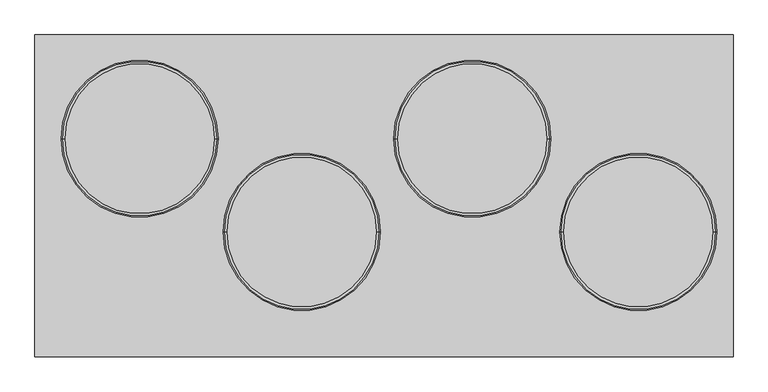
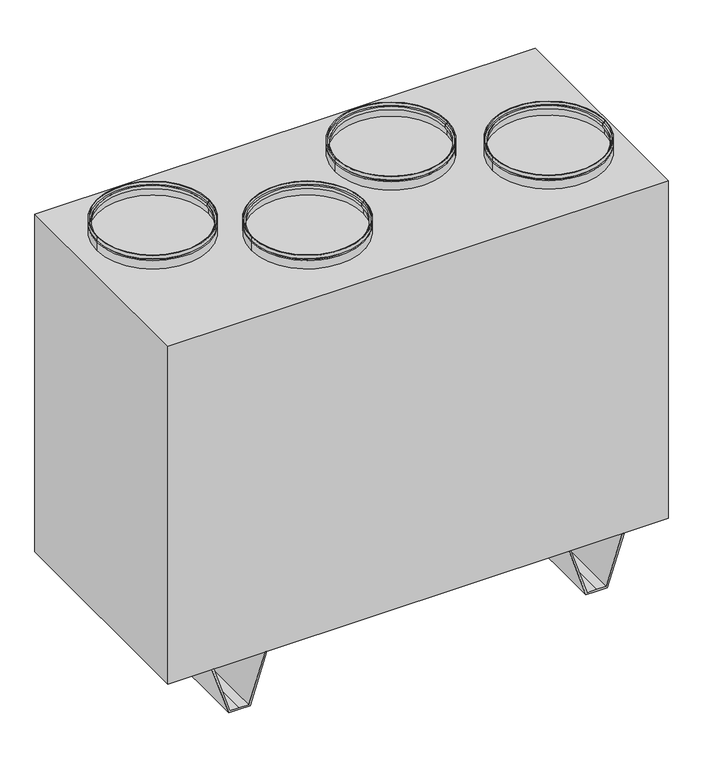
"""IFC4 building model written with IfcOpenShell, lengths in millimetres: proxy geometry."""

from ifc_helpers import new_model, si_unit, frame, origin, place, context, project, spatial, polyline, circle_curve, outline, extrude, source, transform, mapped, element, save
from ifc_brep_helpers import plane_surface, cylinder_surface, revolved_surface, advanced_brep


def mechanical_equipment_06b83ad4(model_context):
    return source(origin(), model_context, "Body", "SolidModel", [
        advanced_brep(
        [(667.5, -72.5, 1175.0), (352.5, -72.5, 1175.0), (352.5, -72.5, 1185.0), (667.5, -72.5, 1185.0), (662.5, -72.5, 1175.0), (357.5, -72.5, 1175.0), (662.5, -72.5, 1170.0), (357.5, -72.5, 1170.0), (667.5, -72.5, 1170.0), (352.5, -72.5, 1170.0), (667.5, -72.5, 1145.0), (352.5, -72.5, 1145.0), (665.5, -72.5, 1145.0), (354.5, -72.5, 1145.0), (665.5, -72.5, 1168.0), (354.5, -72.5, 1168.0), (660.5, -72.5, 1168.0), (359.5, -72.5, 1168.0), (660.5, -72.5, 1177.0), (359.5, -72.5, 1177.0), (665.5, -72.5, 1177.0), (354.5, -72.5, 1177.0), (665.5, -72.5, 1185.0), (354.5, -72.5, 1185.0)],
        [
            (0, 1, circle_curve(frame((510.0, -72.5, 1175.0), z_axis=(0.0, 0.0, 1.0), x_axis=(-1.0, 0.0, 0.0)), 157.5)),
            (1, 2),
            (2, 3, circle_curve(frame((510.0, -72.5, 1185.0), z_axis=(0.0, 0.0, -1.0), x_axis=(-1.0, 0.0, 0.0)), 157.5)),
            (3, 0),
            (1, 0, circle_curve(frame((510.0, -72.5, 1175.0), z_axis=(0.0, 0.0, 1.0), x_axis=(-1.0, 0.0, 0.0)), 157.5)),
            (3, 2, circle_curve(frame((510.0, -72.5, 1185.0), z_axis=(0.0, 0.0, -1.0), x_axis=(-1.0, 0.0, 0.0)), 157.5)),
            (4, 5, circle_curve(frame((510.0, -72.5, 1175.0), z_axis=(0.0, 0.0, 1.0), x_axis=(-1.0, 0.0, 0.0)), 152.5)),
            (5, 1),
            (0, 4),
            (5, 4, circle_curve(frame((510.0, -72.5, 1175.0), z_axis=(0.0, 0.0, 1.0), x_axis=(-1.0, 0.0, 0.0)), 152.5)),
            (6, 7, circle_curve(frame((510.0, -72.5, 1170.0), z_axis=(0.0, 0.0, 1.0), x_axis=(-1.0, 0.0, 0.0)), 152.5)),
            (7, 5),
            (4, 6),
            (7, 6, circle_curve(frame((510.0, -72.5, 1170.0), z_axis=(0.0, 0.0, 1.0), x_axis=(-1.0, 0.0, 0.0)), 152.5)),
            (8, 9, circle_curve(frame((510.0, -72.5, 1170.0), z_axis=(0.0, 0.0, 1.0), x_axis=(-1.0, 0.0, 0.0)), 157.5)),
            (9, 7),
            (6, 8),
            (9, 8, circle_curve(frame((510.0, -72.5, 1170.0), z_axis=(0.0, 0.0, 1.0), x_axis=(-1.0, 0.0, 0.0)), 157.5)),
            (10, 11, circle_curve(frame((510.0, -72.5, 1145.0), z_axis=(0.0, 0.0, 1.0), x_axis=(-1.0, 0.0, 0.0)), 157.5)),
            (11, 9),
            (8, 10),
            (11, 10, circle_curve(frame((510.0, -72.5, 1145.0), z_axis=(0.0, 0.0, 1.0), x_axis=(-1.0, 0.0, 0.0)), 157.5)),
            (12, 13, circle_curve(frame((510.0, -72.5, 1145.0), z_axis=(0.0, 0.0, 1.0), x_axis=(-1.0, 0.0, 0.0)), 155.5)),
            (13, 11),
            (10, 12),
            (13, 12, circle_curve(frame((510.0, -72.5, 1145.0), z_axis=(0.0, 0.0, 1.0), x_axis=(-1.0, 0.0, 0.0)), 155.5)),
            (14, 15, circle_curve(frame((510.0, -72.5, 1168.0), z_axis=(0.0, 0.0, 1.0), x_axis=(-1.0, 0.0, 0.0)), 155.5)),
            (15, 13),
            (12, 14),
            (15, 14, circle_curve(frame((510.0, -72.5, 1168.0), z_axis=(0.0, 0.0, 1.0), x_axis=(-1.0, 0.0, 0.0)), 155.5)),
            (16, 17, circle_curve(frame((510.0, -72.5, 1168.0), z_axis=(0.0, 0.0, 1.0), x_axis=(-1.0, 0.0, 0.0)), 150.5)),
            (17, 15),
            (14, 16),
            (17, 16, circle_curve(frame((510.0, -72.5, 1168.0), z_axis=(0.0, 0.0, 1.0), x_axis=(-1.0, 0.0, 0.0)), 150.5)),
            (18, 19, circle_curve(frame((510.0, -72.5, 1177.0), z_axis=(0.0, 0.0, 1.0), x_axis=(-1.0, 0.0, 0.0)), 150.5)),
            (19, 17),
            (16, 18),
            (19, 18, circle_curve(frame((510.0, -72.5, 1177.0), z_axis=(0.0, 0.0, 1.0), x_axis=(-1.0, 0.0, 0.0)), 150.5)),
            (20, 21, circle_curve(frame((510.0, -72.5, 1177.0), z_axis=(0.0, 0.0, 1.0), x_axis=(-1.0, 0.0, 0.0)), 155.5)),
            (21, 19),
            (18, 20),
            (21, 20, circle_curve(frame((510.0, -72.5, 1177.0), z_axis=(0.0, 0.0, 1.0), x_axis=(-1.0, 0.0, 0.0)), 155.5)),
            (22, 23, circle_curve(frame((510.0, -72.5, 1185.0), z_axis=(0.0, 0.0, 1.0), x_axis=(-1.0, 0.0, 0.0)), 155.5)),
            (23, 21),
            (20, 22),
            (23, 22, circle_curve(frame((510.0, -72.5, 1185.0), z_axis=(0.0, 0.0, 1.0), x_axis=(-1.0, 0.0, 0.0)), 155.5)),
            (2, 23),
            (22, 3),
        ],
        [
            cylinder_surface(frame((510.0, -72.5, 2720.0440172), z_axis=(0.0, 0.0, -1.0), x_axis=(-1.0, 0.0, 0.0)), 157.5),
            plane_surface(frame((510.0, -72.5, 1175.0), z_axis=(0.0, 0.0, -1.0), x_axis=(-1.0, 0.0, 0.0))),
            cylinder_surface(frame((510.0, -72.5, 2720.0440172), z_axis=(0.0, 0.0, -1.0), x_axis=(-1.0, 0.0, 0.0)), 152.5),
            plane_surface(frame((510.0, -72.5, 1170.0), z_axis=(0.0, 0.0, 1.0), x_axis=(-1.0, 0.0, 0.0))),
            plane_surface(frame((510.0, -72.5, 1145.0), z_axis=(0.0, 0.0, -1.0), x_axis=(-1.0, 0.0, 0.0))),
            revolved_surface(polyline([(354.5, -72.5, 1145.0), (354.5, -72.5, 1168.0)]), (510.0, -72.5, 2720.0440172), (0.0, 0.0, -1.0)),
            plane_surface(frame((510.0, -72.5, 1168.0), z_axis=(0.0, 0.0, -1.0), x_axis=(-1.0, 0.0, 0.0))),
            revolved_surface(polyline([(359.5, -72.5, 1168.0), (359.5, -72.5, 1177.0)]), (510.0, -72.5, 2720.0440172), (0.0, 0.0, -1.0)),
            plane_surface(frame((510.0, -72.5, 1177.0), z_axis=(0.0, 0.0, 1.0), x_axis=(-1.0, 0.0, 0.0))),
            revolved_surface(polyline([(354.5, -72.5, 1177.0), (354.5, -72.5, 1185.0)]), (510.0, -72.5, 2720.0440172), (0.0, 0.0, -1.0)),
            plane_surface(frame((510.0, -72.5, 1185.0), z_axis=(0.0, 0.0, 1.0), x_axis=(-1.0, 0.0, 0.0))),
        ],
        [
            (0, [[1, 2, 3, 4]]),
            (0, [[5, -4, 6, -2]]),
            (1, [[7, 8, -1, 9]]),
            (1, [[10, -9, -5, -8]]),
            (2, [[11, 12, -7, 13]]),
            (2, [[14, -13, -10, -12]]),
            (3, [[15, 16, -11, 17]]),
            (3, [[18, -17, -14, -16]]),
            (0, [[19, 20, -15, 21]]),
            (0, [[22, -21, -18, -20]]),
            (4, [[23, 24, -19, 25]]),
            (4, [[26, -25, -22, -24]]),
            (5, [[27, 28, -23, 29]]),
            (5, [[30, -29, -26, -28]]),
            (6, [[31, 32, -27, 33]]),
            (6, [[34, -33, -30, -32]]),
            (7, [[35, 36, -31, 37]]),
            (7, [[38, -37, -34, -36]]),
            (8, [[39, 40, -35, 41]]),
            (8, [[42, -41, -38, -40]]),
            (9, [[43, 44, -39, 45]]),
            (9, [[46, -45, -42, -44]]),
            (10, [[-3, 47, -43, 48]]),
            (10, [[-6, -48, -46, -47]]),
        ],
    ),
        advanced_brep(
        [(334.5, 114.5, 1175.0), (19.5, 114.5, 1175.0), (19.5, 114.5, 1185.0), (334.5, 114.5, 1185.0), (329.5, 114.5, 1175.0), (24.5, 114.5, 1175.0), (329.5, 114.5, 1170.0), (24.5, 114.5, 1170.0), (334.5, 114.5, 1170.0), (19.5, 114.5, 1170.0), (334.5, 114.5, 1145.0), (19.5, 114.5, 1145.0), (332.5, 114.5, 1145.0), (21.5, 114.5, 1145.0), (332.5, 114.5, 1168.0), (21.5, 114.5, 1168.0), (327.5, 114.5, 1168.0), (26.5, 114.5, 1168.0), (327.5, 114.5, 1177.0), (26.5, 114.5, 1177.0), (332.5, 114.5, 1177.0), (21.5, 114.5, 1177.0), (332.5, 114.5, 1185.0), (21.5, 114.5, 1185.0)],
        [
            (0, 1, circle_curve(frame((177.0, 114.5, 1175.0), z_axis=(0.0, 0.0, 1.0), x_axis=(-1.0, 0.0, 0.0)), 157.5)),
            (1, 2),
            (2, 3, circle_curve(frame((177.0, 114.5, 1185.0), z_axis=(0.0, 0.0, -1.0), x_axis=(-1.0, 0.0, 0.0)), 157.5)),
            (3, 0),
            (1, 0, circle_curve(frame((177.0, 114.5, 1175.0), z_axis=(0.0, 0.0, 1.0), x_axis=(-1.0, 0.0, 0.0)), 157.5)),
            (3, 2, circle_curve(frame((177.0, 114.5, 1185.0), z_axis=(0.0, 0.0, -1.0), x_axis=(-1.0, 0.0, 0.0)), 157.5)),
            (4, 5, circle_curve(frame((177.0, 114.5, 1175.0), z_axis=(0.0, 0.0, 1.0), x_axis=(-1.0, 0.0, 0.0)), 152.5)),
            (5, 1),
            (0, 4),
            (5, 4, circle_curve(frame((177.0, 114.5, 1175.0), z_axis=(0.0, 0.0, 1.0), x_axis=(-1.0, 0.0, 0.0)), 152.5)),
            (6, 7, circle_curve(frame((177.0, 114.5, 1170.0), z_axis=(0.0, 0.0, 1.0), x_axis=(-1.0, 0.0, 0.0)), 152.5)),
            (7, 5),
            (4, 6),
            (7, 6, circle_curve(frame((177.0, 114.5, 1170.0), z_axis=(0.0, 0.0, 1.0), x_axis=(-1.0, 0.0, 0.0)), 152.5)),
            (8, 9, circle_curve(frame((177.0, 114.5, 1170.0), z_axis=(0.0, 0.0, 1.0), x_axis=(-1.0, 0.0, 0.0)), 157.5)),
            (9, 7),
            (6, 8),
            (9, 8, circle_curve(frame((177.0, 114.5, 1170.0), z_axis=(0.0, 0.0, 1.0), x_axis=(-1.0, 0.0, 0.0)), 157.5)),
            (10, 11, circle_curve(frame((177.0, 114.5, 1145.0), z_axis=(0.0, 0.0, 1.0), x_axis=(-1.0, 0.0, 0.0)), 157.5)),
            (11, 9),
            (8, 10),
            (11, 10, circle_curve(frame((177.0, 114.5, 1145.0), z_axis=(0.0, 0.0, 1.0), x_axis=(-1.0, 0.0, 0.0)), 157.5)),
            (12, 13, circle_curve(frame((177.0, 114.5, 1145.0), z_axis=(0.0, 0.0, 1.0), x_axis=(-1.0, 0.0, 0.0)), 155.5)),
            (13, 11),
            (10, 12),
            (13, 12, circle_curve(frame((177.0, 114.5, 1145.0), z_axis=(0.0, 0.0, 1.0), x_axis=(-1.0, 0.0, 0.0)), 155.5)),
            (14, 15, circle_curve(frame((177.0, 114.5, 1168.0), z_axis=(0.0, 0.0, 1.0), x_axis=(-1.0, 0.0, 0.0)), 155.5)),
            (15, 13),
            (12, 14),
            (15, 14, circle_curve(frame((177.0, 114.5, 1168.0), z_axis=(0.0, 0.0, 1.0), x_axis=(-1.0, 0.0, 0.0)), 155.5)),
            (16, 17, circle_curve(frame((177.0, 114.5, 1168.0), z_axis=(0.0, 0.0, 1.0), x_axis=(-1.0, 0.0, 0.0)), 150.5)),
            (17, 15),
            (14, 16),
            (17, 16, circle_curve(frame((177.0, 114.5, 1168.0), z_axis=(0.0, 0.0, 1.0), x_axis=(-1.0, 0.0, 0.0)), 150.5)),
            (18, 19, circle_curve(frame((177.0, 114.5, 1177.0), z_axis=(0.0, 0.0, 1.0), x_axis=(-1.0, 0.0, 0.0)), 150.5)),
            (19, 17),
            (16, 18),
            (19, 18, circle_curve(frame((177.0, 114.5, 1177.0), z_axis=(0.0, 0.0, 1.0), x_axis=(-1.0, 0.0, 0.0)), 150.5)),
            (20, 21, circle_curve(frame((177.0, 114.5, 1177.0), z_axis=(0.0, 0.0, 1.0), x_axis=(-1.0, 0.0, 0.0)), 155.5)),
            (21, 19),
            (18, 20),
            (21, 20, circle_curve(frame((177.0, 114.5, 1177.0), z_axis=(0.0, 0.0, 1.0), x_axis=(-1.0, 0.0, 0.0)), 155.5)),
            (22, 23, circle_curve(frame((177.0, 114.5, 1185.0), z_axis=(0.0, 0.0, 1.0), x_axis=(-1.0, 0.0, 0.0)), 155.5)),
            (23, 21),
            (20, 22),
            (23, 22, circle_curve(frame((177.0, 114.5, 1185.0), z_axis=(0.0, 0.0, 1.0), x_axis=(-1.0, 0.0, 0.0)), 155.5)),
            (2, 23),
            (22, 3),
        ],
        [
            cylinder_surface(frame((177.0, 114.5, 2720.0440172), z_axis=(0.0, 0.0, -1.0), x_axis=(-1.0, 0.0, 0.0)), 157.5),
            plane_surface(frame((177.0, 114.5, 1175.0), z_axis=(0.0, 0.0, -1.0), x_axis=(-1.0, 0.0, 0.0))),
            cylinder_surface(frame((177.0, 114.5, 2720.0440172), z_axis=(0.0, 0.0, -1.0), x_axis=(-1.0, 0.0, 0.0)), 152.5),
            plane_surface(frame((177.0, 114.5, 1170.0), z_axis=(0.0, 0.0, 1.0), x_axis=(-1.0, 0.0, 0.0))),
            plane_surface(frame((177.0, 114.5, 1145.0), z_axis=(0.0, 0.0, -1.0), x_axis=(-1.0, 0.0, 0.0))),
            revolved_surface(polyline([(21.5, 114.5, 1145.0), (21.5, 114.5, 1168.0)]), (177.0, 114.5, 2720.0440172), (0.0, 0.0, -1.0)),
            plane_surface(frame((177.0, 114.5, 1168.0), z_axis=(0.0, 0.0, -1.0), x_axis=(-1.0, 0.0, 0.0))),
            revolved_surface(polyline([(26.5, 114.5, 1168.0), (26.5, 114.5, 1177.0)]), (177.0, 114.5, 2720.0440172), (0.0, 0.0, -1.0)),
            plane_surface(frame((177.0, 114.5, 1177.0), z_axis=(0.0, 0.0, 1.0), x_axis=(-1.0, 0.0, 0.0))),
            revolved_surface(polyline([(21.5, 114.5, 1177.0), (21.5, 114.5, 1185.0)]), (177.0, 114.5, 2720.0440172), (0.0, 0.0, -1.0)),
            plane_surface(frame((177.0, 114.5, 1185.0), z_axis=(0.0, 0.0, 1.0), x_axis=(-1.0, 0.0, 0.0))),
        ],
        [
            (0, [[1, 2, 3, 4]]),
            (0, [[5, -4, 6, -2]]),
            (1, [[7, 8, -1, 9]]),
            (1, [[10, -9, -5, -8]]),
            (2, [[11, 12, -7, 13]]),
            (2, [[14, -13, -10, -12]]),
            (3, [[15, 16, -11, 17]]),
            (3, [[18, -17, -14, -16]]),
            (0, [[19, 20, -15, 21]]),
            (0, [[22, -21, -18, -20]]),
            (4, [[23, 24, -19, 25]]),
            (4, [[26, -25, -22, -24]]),
            (5, [[27, 28, -23, 29]]),
            (5, [[30, -29, -26, -28]]),
            (6, [[31, 32, -27, 33]]),
            (6, [[34, -33, -30, -32]]),
            (7, [[35, 36, -31, 37]]),
            (7, [[38, -37, -34, -36]]),
            (8, [[39, 40, -35, 41]]),
            (8, [[42, -41, -38, -40]]),
            (9, [[43, 44, -39, 45]]),
            (9, [[46, -45, -42, -44]]),
            (10, [[-3, 47, -43, 48]]),
            (10, [[-6, -48, -46, -47]]),
        ],
    ),
        advanced_brep(
        [(-7.5, -72.5, 1175.0), (-322.5, -72.5, 1175.0), (-322.5, -72.5, 1185.0), (-7.5, -72.5, 1185.0), (-12.5, -72.5, 1175.0), (-317.5, -72.5, 1175.0), (-12.5, -72.5, 1170.0), (-317.5, -72.5, 1170.0), (-7.5, -72.5, 1170.0), (-322.5, -72.5, 1170.0), (-7.5, -72.5, 1145.0), (-322.5, -72.5, 1145.0), (-9.5, -72.5, 1145.0), (-320.5, -72.5, 1145.0), (-9.5, -72.5, 1168.0), (-320.5, -72.5, 1168.0), (-14.5, -72.5, 1168.0), (-315.5, -72.5, 1168.0), (-14.5, -72.5, 1177.0), (-315.5, -72.5, 1177.0), (-9.5, -72.5, 1177.0), (-320.5, -72.5, 1177.0), (-9.5, -72.5, 1185.0), (-320.5, -72.5, 1185.0)],
        [
            (0, 1, circle_curve(frame((-165.0, -72.5, 1175.0), z_axis=(0.0, 0.0, 1.0), x_axis=(-1.0, 0.0, 0.0)), 157.5)),
            (1, 2),
            (2, 3, circle_curve(frame((-165.0, -72.5, 1185.0), z_axis=(0.0, 0.0, -1.0), x_axis=(-1.0, 0.0, 0.0)), 157.5)),
            (3, 0),
            (1, 0, circle_curve(frame((-165.0, -72.5, 1175.0), z_axis=(0.0, 0.0, 1.0), x_axis=(-1.0, 0.0, 0.0)), 157.5)),
            (3, 2, circle_curve(frame((-165.0, -72.5, 1185.0), z_axis=(0.0, 0.0, -1.0), x_axis=(-1.0, 0.0, 0.0)), 157.5)),
            (4, 5, circle_curve(frame((-165.0, -72.5, 1175.0), z_axis=(0.0, 0.0, 1.0), x_axis=(-1.0, 0.0, 0.0)), 152.5)),
            (5, 1),
            (0, 4),
            (5, 4, circle_curve(frame((-165.0, -72.5, 1175.0), z_axis=(0.0, 0.0, 1.0), x_axis=(-1.0, 0.0, 0.0)), 152.5)),
            (6, 7, circle_curve(frame((-165.0, -72.5, 1170.0), z_axis=(0.0, 0.0, 1.0), x_axis=(-1.0, 0.0, 0.0)), 152.5)),
            (7, 5),
            (4, 6),
            (7, 6, circle_curve(frame((-165.0, -72.5, 1170.0), z_axis=(0.0, 0.0, 1.0), x_axis=(-1.0, 0.0, 0.0)), 152.5)),
            (8, 9, circle_curve(frame((-165.0, -72.5, 1170.0), z_axis=(0.0, 0.0, 1.0), x_axis=(-1.0, 0.0, 0.0)), 157.5)),
            (9, 7),
            (6, 8),
            (9, 8, circle_curve(frame((-165.0, -72.5, 1170.0), z_axis=(0.0, 0.0, 1.0), x_axis=(-1.0, 0.0, 0.0)), 157.5)),
            (10, 11, circle_curve(frame((-165.0, -72.5, 1145.0), z_axis=(0.0, 0.0, 1.0), x_axis=(-1.0, 0.0, 0.0)), 157.5)),
            (11, 9),
            (8, 10),
            (11, 10, circle_curve(frame((-165.0, -72.5, 1145.0), z_axis=(0.0, 0.0, 1.0), x_axis=(-1.0, 0.0, 0.0)), 157.5)),
            (12, 13, circle_curve(frame((-165.0, -72.5, 1145.0), z_axis=(0.0, 0.0, 1.0), x_axis=(-1.0, 0.0, 0.0)), 155.5)),
            (13, 11),
            (10, 12),
            (13, 12, circle_curve(frame((-165.0, -72.5, 1145.0), z_axis=(0.0, 0.0, 1.0), x_axis=(-1.0, 0.0, 0.0)), 155.5)),
            (14, 15, circle_curve(frame((-165.0, -72.5, 1168.0), z_axis=(0.0, 0.0, 1.0), x_axis=(-1.0, 0.0, 0.0)), 155.5)),
            (15, 13),
            (12, 14),
            (15, 14, circle_curve(frame((-165.0, -72.5, 1168.0), z_axis=(0.0, 0.0, 1.0), x_axis=(-1.0, 0.0, 0.0)), 155.5)),
            (16, 17, circle_curve(frame((-165.0, -72.5, 1168.0), z_axis=(0.0, 0.0, 1.0), x_axis=(-1.0, 0.0, 0.0)), 150.5)),
            (17, 15),
            (14, 16),
            (17, 16, circle_curve(frame((-165.0, -72.5, 1168.0), z_axis=(0.0, 0.0, 1.0), x_axis=(-1.0, 0.0, 0.0)), 150.5)),
            (18, 19, circle_curve(frame((-165.0, -72.5, 1177.0), z_axis=(0.0, 0.0, 1.0), x_axis=(-1.0, 0.0, 0.0)), 150.5)),
            (19, 17),
            (16, 18),
            (19, 18, circle_curve(frame((-165.0, -72.5, 1177.0), z_axis=(0.0, 0.0, 1.0), x_axis=(-1.0, 0.0, 0.0)), 150.5)),
            (20, 21, circle_curve(frame((-165.0, -72.5, 1177.0), z_axis=(0.0, 0.0, 1.0), x_axis=(-1.0, 0.0, 0.0)), 155.5)),
            (21, 19),
            (18, 20),
            (21, 20, circle_curve(frame((-165.0, -72.5, 1177.0), z_axis=(0.0, 0.0, 1.0), x_axis=(-1.0, 0.0, 0.0)), 155.5)),
            (22, 23, circle_curve(frame((-165.0, -72.5, 1185.0), z_axis=(0.0, 0.0, 1.0), x_axis=(-1.0, 0.0, 0.0)), 155.5)),
            (23, 21),
            (20, 22),
            (23, 22, circle_curve(frame((-165.0, -72.5, 1185.0), z_axis=(0.0, 0.0, 1.0), x_axis=(-1.0, 0.0, 0.0)), 155.5)),
            (2, 23),
            (22, 3),
        ],
        [
            cylinder_surface(frame((-165.0, -72.5, 2720.0440172), z_axis=(0.0, 0.0, -1.0), x_axis=(-1.0, 0.0, 0.0)), 157.5),
            plane_surface(frame((-165.0, -72.5, 1175.0), z_axis=(0.0, 0.0, -1.0), x_axis=(-1.0, 0.0, 0.0))),
            cylinder_surface(frame((-165.0, -72.5, 2720.0440172), z_axis=(0.0, 0.0, -1.0), x_axis=(-1.0, 0.0, 0.0)), 152.5),
            plane_surface(frame((-165.0, -72.5, 1170.0), z_axis=(0.0, 0.0, 1.0), x_axis=(-1.0, 0.0, 0.0))),
            plane_surface(frame((-165.0, -72.5, 1145.0), z_axis=(0.0, 0.0, -1.0), x_axis=(-1.0, 0.0, 0.0))),
            revolved_surface(polyline([(-320.5, -72.5, 1145.0), (-320.5, -72.5, 1168.0)]), (-165.0, -72.5, 2720.0440172), (0.0, 0.0, -1.0)),
            plane_surface(frame((-165.0, -72.5, 1168.0), z_axis=(0.0, 0.0, -1.0), x_axis=(-1.0, 0.0, 0.0))),
            revolved_surface(polyline([(-315.5, -72.5, 1168.0), (-315.5, -72.5, 1177.0)]), (-165.0, -72.5, 2720.0440172), (0.0, 0.0, -1.0)),
            plane_surface(frame((-165.0, -72.5, 1177.0), z_axis=(0.0, 0.0, 1.0), x_axis=(-1.0, 0.0, 0.0))),
            revolved_surface(polyline([(-320.5, -72.5, 1177.0), (-320.5, -72.5, 1185.0)]), (-165.0, -72.5, 2720.0440172), (0.0, 0.0, -1.0)),
            plane_surface(frame((-165.0, -72.5, 1185.0), z_axis=(0.0, 0.0, 1.0), x_axis=(-1.0, 0.0, 0.0))),
        ],
        [
            (0, [[1, 2, 3, 4]]),
            (0, [[5, -4, 6, -2]]),
            (1, [[7, 8, -1, 9]]),
            (1, [[10, -9, -5, -8]]),
            (2, [[11, 12, -7, 13]]),
            (2, [[14, -13, -10, -12]]),
            (3, [[15, 16, -11, 17]]),
            (3, [[18, -17, -14, -16]]),
            (0, [[19, 20, -15, 21]]),
            (0, [[22, -21, -18, -20]]),
            (4, [[23, 24, -19, 25]]),
            (4, [[26, -25, -22, -24]]),
            (5, [[27, 28, -23, 29]]),
            (5, [[30, -29, -26, -28]]),
            (6, [[31, 32, -27, 33]]),
            (6, [[34, -33, -30, -32]]),
            (7, [[35, 36, -31, 37]]),
            (7, [[38, -37, -34, -36]]),
            (8, [[39, 40, -35, 41]]),
            (8, [[42, -41, -38, -40]]),
            (9, [[43, 44, -39, 45]]),
            (9, [[46, -45, -42, -44]]),
            (10, [[-3, 47, -43, 48]]),
            (10, [[-6, -48, -46, -47]]),
        ],
    ),
        advanced_brep(
        [(-332.5, 114.5, 1175.0), (-647.5, 114.5, 1175.0), (-647.5, 114.5, 1185.0), (-332.5, 114.5, 1185.0), (-337.5, 114.5, 1175.0), (-642.5, 114.5, 1175.0), (-337.5, 114.5, 1170.0), (-642.5, 114.5, 1170.0), (-332.5, 114.5, 1170.0), (-647.5, 114.5, 1170.0), (-332.5, 114.5, 1145.0), (-647.5, 114.5, 1145.0), (-334.5, 114.5, 1145.0), (-645.5, 114.5, 1145.0), (-334.5, 114.5, 1168.0), (-645.5, 114.5, 1168.0), (-339.5, 114.5, 1168.0), (-640.5, 114.5, 1168.0), (-339.5, 114.5, 1177.0), (-640.5, 114.5, 1177.0), (-334.5, 114.5, 1177.0), (-645.5, 114.5, 1177.0), (-334.5, 114.5, 1185.0), (-645.5, 114.5, 1185.0)],
        [
            (0, 1, circle_curve(frame((-490.0, 114.5, 1175.0), z_axis=(0.0, 0.0, 1.0), x_axis=(-1.0, 0.0, 0.0)), 157.5)),
            (1, 2),
            (2, 3, circle_curve(frame((-490.0, 114.5, 1185.0), z_axis=(0.0, 0.0, -1.0), x_axis=(-1.0, 0.0, 0.0)), 157.5)),
            (3, 0),
            (1, 0, circle_curve(frame((-490.0, 114.5, 1175.0), z_axis=(0.0, 0.0, 1.0), x_axis=(-1.0, 0.0, 0.0)), 157.5)),
            (3, 2, circle_curve(frame((-490.0, 114.5, 1185.0), z_axis=(0.0, 0.0, -1.0), x_axis=(-1.0, 0.0, 0.0)), 157.5)),
            (4, 5, circle_curve(frame((-490.0, 114.5, 1175.0), z_axis=(0.0, 0.0, 1.0), x_axis=(-1.0, 0.0, 0.0)), 152.5)),
            (5, 1),
            (0, 4),
            (5, 4, circle_curve(frame((-490.0, 114.5, 1175.0), z_axis=(0.0, 0.0, 1.0), x_axis=(-1.0, 0.0, 0.0)), 152.5)),
            (6, 7, circle_curve(frame((-490.0, 114.5, 1170.0), z_axis=(0.0, 0.0, 1.0), x_axis=(-1.0, 0.0, 0.0)), 152.5)),
            (7, 5),
            (4, 6),
            (7, 6, circle_curve(frame((-490.0, 114.5, 1170.0), z_axis=(0.0, 0.0, 1.0), x_axis=(-1.0, 0.0, 0.0)), 152.5)),
            (8, 9, circle_curve(frame((-490.0, 114.5, 1170.0), z_axis=(0.0, 0.0, 1.0), x_axis=(-1.0, 0.0, 0.0)), 157.5)),
            (9, 7),
            (6, 8),
            (9, 8, circle_curve(frame((-490.0, 114.5, 1170.0), z_axis=(0.0, 0.0, 1.0), x_axis=(-1.0, 0.0, 0.0)), 157.5)),
            (10, 11, circle_curve(frame((-490.0, 114.5, 1145.0), z_axis=(0.0, 0.0, 1.0), x_axis=(-1.0, 0.0, 0.0)), 157.5)),
            (11, 9),
            (8, 10),
            (11, 10, circle_curve(frame((-490.0, 114.5, 1145.0), z_axis=(0.0, 0.0, 1.0), x_axis=(-1.0, 0.0, 0.0)), 157.5)),
            (12, 13, circle_curve(frame((-490.0, 114.5, 1145.0), z_axis=(0.0, 0.0, 1.0), x_axis=(-1.0, 0.0, 0.0)), 155.5)),
            (13, 11),
            (10, 12),
            (13, 12, circle_curve(frame((-490.0, 114.5, 1145.0), z_axis=(0.0, 0.0, 1.0), x_axis=(-1.0, 0.0, 0.0)), 155.5)),
            (14, 15, circle_curve(frame((-490.0, 114.5, 1168.0), z_axis=(0.0, 0.0, 1.0), x_axis=(-1.0, 0.0, 0.0)), 155.5)),
            (15, 13),
            (12, 14),
            (15, 14, circle_curve(frame((-490.0, 114.5, 1168.0), z_axis=(0.0, 0.0, 1.0), x_axis=(-1.0, 0.0, 0.0)), 155.5)),
            (16, 17, circle_curve(frame((-490.0, 114.5, 1168.0), z_axis=(0.0, 0.0, 1.0), x_axis=(-1.0, 0.0, 0.0)), 150.5)),
            (17, 15),
            (14, 16),
            (17, 16, circle_curve(frame((-490.0, 114.5, 1168.0), z_axis=(0.0, 0.0, 1.0), x_axis=(-1.0, 0.0, 0.0)), 150.5)),
            (18, 19, circle_curve(frame((-490.0, 114.5, 1177.0), z_axis=(0.0, 0.0, 1.0), x_axis=(-1.0, 0.0, 0.0)), 150.5)),
            (19, 17),
            (16, 18),
            (19, 18, circle_curve(frame((-490.0, 114.5, 1177.0), z_axis=(0.0, 0.0, 1.0), x_axis=(-1.0, 0.0, 0.0)), 150.5)),
            (20, 21, circle_curve(frame((-490.0, 114.5, 1177.0), z_axis=(0.0, 0.0, 1.0), x_axis=(-1.0, 0.0, 0.0)), 155.5)),
            (21, 19),
            (18, 20),
            (21, 20, circle_curve(frame((-490.0, 114.5, 1177.0), z_axis=(0.0, 0.0, 1.0), x_axis=(-1.0, 0.0, 0.0)), 155.5)),
            (22, 23, circle_curve(frame((-490.0, 114.5, 1185.0), z_axis=(0.0, 0.0, 1.0), x_axis=(-1.0, 0.0, 0.0)), 155.5)),
            (23, 21),
            (20, 22),
            (23, 22, circle_curve(frame((-490.0, 114.5, 1185.0), z_axis=(0.0, 0.0, 1.0), x_axis=(-1.0, 0.0, 0.0)), 155.5)),
            (2, 23),
            (22, 3),
        ],
        [
            cylinder_surface(frame((-490.0, 114.5, 2720.0440172), z_axis=(0.0, 0.0, -1.0), x_axis=(-1.0, 0.0, 0.0)), 157.5),
            plane_surface(frame((-490.0, 114.5, 1175.0), z_axis=(0.0, 0.0, -1.0), x_axis=(-1.0, 0.0, 0.0))),
            cylinder_surface(frame((-490.0, 114.5, 2720.0440172), z_axis=(0.0, 0.0, -1.0), x_axis=(-1.0, 0.0, 0.0)), 152.5),
            plane_surface(frame((-490.0, 114.5, 1170.0), z_axis=(0.0, 0.0, 1.0), x_axis=(-1.0, 0.0, 0.0))),
            plane_surface(frame((-490.0, 114.5, 1145.0), z_axis=(0.0, 0.0, -1.0), x_axis=(-1.0, 0.0, 0.0))),
            revolved_surface(polyline([(-645.5, 114.5, 1145.0), (-645.5, 114.5, 1168.0)]), (-490.0, 114.5, 2720.0440172), (0.0, 0.0, -1.0)),
            plane_surface(frame((-490.0, 114.5, 1168.0), z_axis=(0.0, 0.0, -1.0), x_axis=(-1.0, 0.0, 0.0))),
            revolved_surface(polyline([(-640.5, 114.5, 1168.0), (-640.5, 114.5, 1177.0)]), (-490.0, 114.5, 2720.0440172), (0.0, 0.0, -1.0)),
            plane_surface(frame((-490.0, 114.5, 1177.0), z_axis=(0.0, 0.0, 1.0), x_axis=(-1.0, 0.0, 0.0))),
            revolved_surface(polyline([(-645.5, 114.5, 1177.0), (-645.5, 114.5, 1185.0)]), (-490.0, 114.5, 2720.0440172), (0.0, 0.0, -1.0)),
            plane_surface(frame((-490.0, 114.5, 1185.0), z_axis=(0.0, 0.0, 1.0), x_axis=(-1.0, 0.0, 0.0))),
        ],
        [
            (0, [[1, 2, 3, 4]]),
            (0, [[5, -4, 6, -2]]),
            (1, [[7, 8, -1, 9]]),
            (1, [[10, -9, -5, -8]]),
            (2, [[11, 12, -7, 13]]),
            (2, [[14, -13, -10, -12]]),
            (3, [[15, 16, -11, 17]]),
            (3, [[18, -17, -14, -16]]),
            (0, [[19, 20, -15, 21]]),
            (0, [[22, -21, -18, -20]]),
            (4, [[23, 24, -19, 25]]),
            (4, [[26, -25, -22, -24]]),
            (5, [[27, 28, -23, 29]]),
            (5, [[30, -29, -26, -28]]),
            (6, [[31, 32, -27, 33]]),
            (6, [[34, -33, -30, -32]]),
            (7, [[35, 36, -31, 37]]),
            (7, [[38, -37, -34, -36]]),
            (8, [[39, 40, -35, 41]]),
            (8, [[42, -41, -38, -40]]),
            (9, [[43, 44, -39, 45]]),
            (9, [[46, -45, -42, -44]]),
            (10, [[-3, 47, -43, 48]]),
            (10, [[-6, -48, -46, -47]]),
        ],
    ),
        extrude(outline(polyline([(0.0, 530.0), (145.0, 577.113356), (145.0, 571.8560448), (5.0, 526.3672874), (5.0, 500.0), (5.0, 473.6327126), (145.0, 428.1439552), (145.0, 422.886644), (0.0, 470.0), (0.0, 500.0), (0.0, 530.0)])), frame((0.0, -322.5, 0.0), z_axis=(0.0, 1.0, 0.0), x_axis=(0.0, 0.0, 1.0)), (0.0, 0.0, 1.0), 645.0),
        extrude(outline(polyline([(0.0, -470.0), (145.0, -422.886644), (145.0, -428.1439552), (5.0, -473.6327126), (5.0, -500.0), (5.0, -526.3672874), (145.0, -571.8560448), (145.0, -577.113356), (0.0, -530.0), (0.0, -500.0), (0.0, -470.0)])), frame((0.0, -322.5, 0.0), z_axis=(0.0, 1.0, 0.0), x_axis=(0.0, 0.0, 1.0)), (0.0, 0.0, 1.0), 645.0),
        extrude(outline(polyline([(-700.0, 322.5), (700.0, 322.5), (700.0, -322.5), (-700.0, -322.5), (-700.0, 322.5)])), frame((0.0, 0.0, 145.0), z_axis=(0.0, 0.0, 1.0), x_axis=(1.0, 0.0, 0.0)), (0.0, 0.0, 1.0), 1000.0),
    ])


if __name__ == "__main__":
    model = new_model("IFC4")
    model_context = context("Model", 3, world=origin())
    ifc_project = project(units=[si_unit("LENGTHUNIT", "METRE", prefix="MILLI")], contexts=[model_context])
    site = spatial("IfcSite", under=ifc_project)
    building = spatial("IfcBuilding", under=site)
    placement = place(None, origin())
    mechanical_equipment_shape = mechanical_equipment_06b83ad4(model_context)
    element("IfcBuildingElementProxy", 1, Name="Mechanical Equipment", at=placement, inside=building, context=model_context, shape_type="MappedRepresentation", body=[
        mapped(mechanical_equipment_shape, transform((0.0, 0.0, 0.0), x_axis=(1.0, 0.0, 0.0), y_axis=(0.0, 1.0, 0.0), z_axis=(0.0, 0.0, 1.0))),
    ])
    save(model, "model.ifc")
